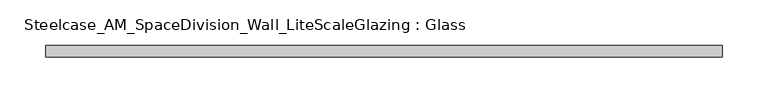
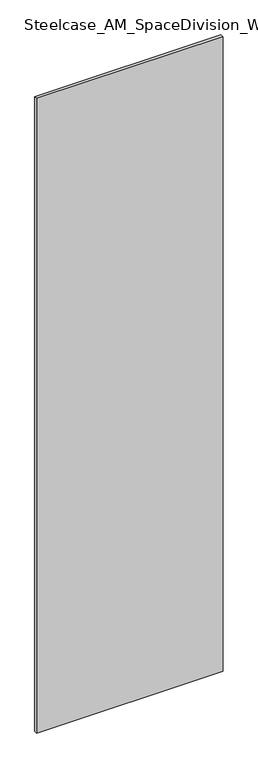
"""IFC4 building model written with IfcOpenShell, lengths in millimetres: plate geometry, Steelcase_AM_SpaceDivision_Wall_LiteScaleGlazing : Glass."""

from ifc_helpers import new_model, si_unit, origin, origin_with_axes, place, context, project, spatial, polyline, outline, extrude, source, transform, mapped, element, save


def steelcase_am_spacedivision_wall_litescaleglazing_glass_c3f837d1(model_context):
    return source(origin(), model_context, "Body", "SweptSolid", [
        extrude(outline(polyline([(-370.4584735, -6.349956), (-370.4584735, 6.3502015), (370.4584735, 6.3502015), (370.4584735, -6.349956), (-370.4584735, -6.349956)])), origin_with_axes(), (0.0, 0.0, 1.0), 2665.984),
    ])


if __name__ == "__main__":
    model = new_model("IFC4")
    model_context = context("Model", 3, world=origin())
    ifc_project = project(units=[si_unit("LENGTHUNIT", "METRE", prefix="MILLI")], contexts=[model_context])
    site = spatial("IfcSite", under=ifc_project)
    building = spatial("IfcBuilding", under=site)
    placement = place(None, origin())
    steelcase_am_spacedivision_wall_litescaleglazing_glass_shape = steelcase_am_spacedivision_wall_litescaleglazing_glass_c3f837d1(model_context)
    element("IfcPlate", 1, ObjectType="Steelcase_AM_SpaceDivision_Wall_LiteScaleGlazing : Glass", at=placement, inside=building, context=model_context, shape_type="MappedRepresentation", body=[
        mapped(steelcase_am_spacedivision_wall_litescaleglazing_glass_shape, transform((0.0, 0.0, 0.0), x_axis=(1.0, 0.0, 0.0), y_axis=(0.0, 1.0, 0.0), z_axis=(0.0, 0.0, 1.0))),
    ])
    save(model, "model.ifc")
